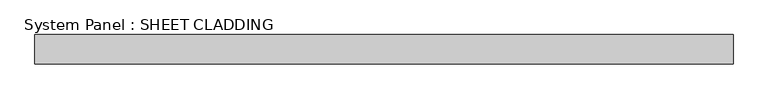
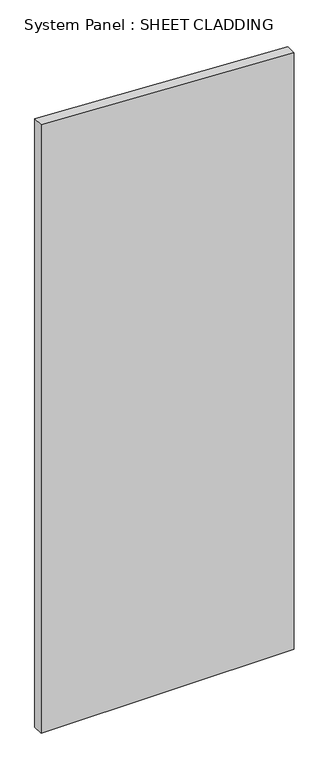
"""IFC4 building model written with IfcOpenShell, lengths in millimetres: plate geometry, System Panel : SHEET CLADDING."""

from ifc_helpers import new_model, si_unit, frame, origin, place, context, project, spatial, polyline, outline, extrude, source, transform, mapped, element, save


def system_panel_sheet_cladding_6e769bc3(model_context):
    return source(origin(), model_context, "Body", "SweptSolid", [
        extrude(outline(polyline([(0.0, -718.75), (0.0, 718.75), (3575.725, 718.75), (3647.6, -718.75), (0.0, -718.75)])), frame((0.0, -49.5, 0.0), z_axis=(0.0, 1.0, 0.0), x_axis=(0.0, 0.0, 1.0)), (0.0, 0.0, 1.0), 60.0),
    ])


if __name__ == "__main__":
    model = new_model("IFC4")
    model_context = context("Model", 3, world=origin())
    ifc_project = project(units=[si_unit("LENGTHUNIT", "METRE", prefix="MILLI")], contexts=[model_context])
    site = spatial("IfcSite", under=ifc_project)
    building = spatial("IfcBuilding", under=site)
    placement = place(None, origin())
    system_panel_sheet_cladding_shape = system_panel_sheet_cladding_6e769bc3(model_context)
    element("IfcPlate", 1, ObjectType="System Panel : SHEET CLADDING", at=placement, inside=building, context=model_context, shape_type="MappedRepresentation", body=[
        mapped(system_panel_sheet_cladding_shape, transform((0.0, 0.0, 0.0), x_axis=(1.0, 0.0, 0.0), y_axis=(0.0, 1.0, 0.0), z_axis=(0.0, 0.0, 1.0))),
    ])
    save(model, "model.ifc")
